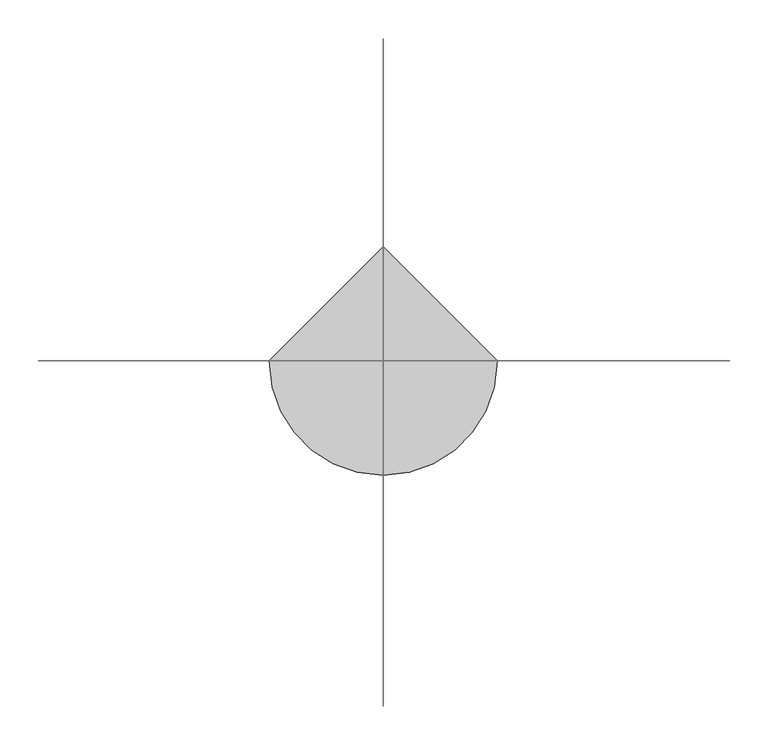
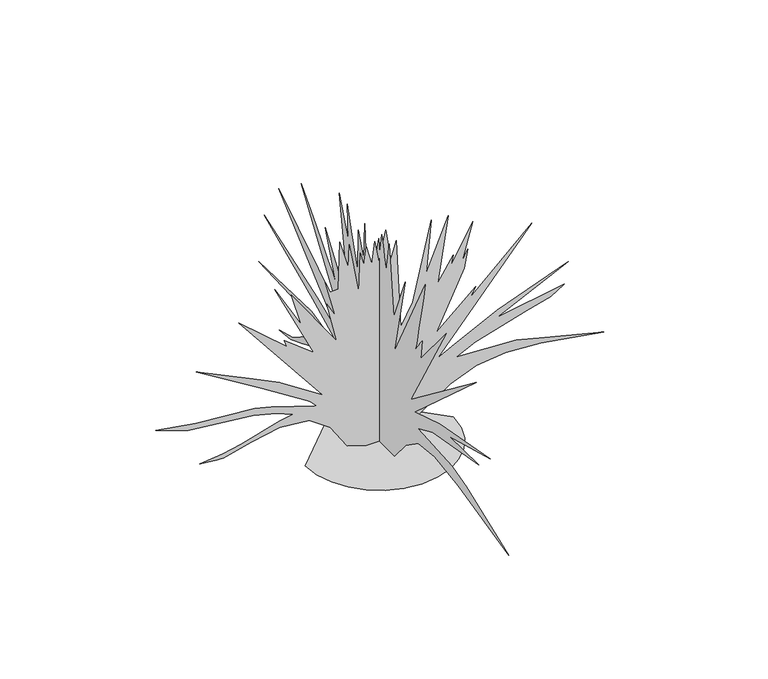
"""IFC4 building model written with IfcOpenShell, lengths in millimetres: geographic element geometry."""

from ifc_helpers import new_model, si_unit, origin, place, context, project, spatial, triangles, source, transform, mapped, element, save


def geographic_element_1685f993(model_context):
    return source(origin(), model_context, "Body", "Tessellation", [
        triangles([(-148.1386958, 0.0, 9.3e-06), (-144.2171964, -33.9885277, 9.3e-06), (-133.048683, -65.2018023, 9.3e-06), (-115.5276685, -92.7450748, 9.3e-06), (-92.5484025, -115.7243407, 9.3e-06), (-65.0051301, -133.2453552, 9.3e-06), (-33.7918577, -144.4138686, 9.3e-06), (0.1966776, -148.335368, 9.3e-06), (34.1851976, -144.4138686, 9.3e-06), (65.3984745, -133.2453552, 9.3e-06), (92.941747, -115.7243407, 9.3e-06), (115.921013, -92.7450748, 9.3e-06), (133.4420274, -65.2018023, 9.3e-06), (144.6105409, -33.9885277, 9.3e-06), (148.5320402, 1.3e-05, 9.3e-06), (0.1966516, 148.335368, 9.3e-06), (-24.3504259, 1.1e-06, 2.5e-06), (-64.1988793, 2e-06, 12.9348607), (-97.895905, 5e-07, 64.0713026), (-140.594189, 5e-07, 94.1593235), (-198.9417449, 2.8e-06, 99.5475847), (-255.4485429, 5.9e-06, 87.7748204), (-311.5910826, 9.2e-06, 73.8080584), (-324.2335885, 9.8e-06, 74.3145591), (-359.378609, 1.11e-05, 77.950311), (-313.1035629, 8.8e-06, 82.7858171), (-277.6960585, 6.8e-06, 90.344322), (-199.7057426, 2e-06, 113.0485956), (-172.7469775, 5e-07, 117.942592), (-204.8844963, 1.2e-06, 130.9928583), (-252.5285358, 2.5e-06, 143.4918682), (-382.9561306, 7.4e-06, 157.5558808), (-447.8461741, 8.9e-06, 179.7488939), (-367.8611217, 6.2e-06, 166.4181305), (-249.0960418, 1.6e-06, 156.7231191), (-216.6905162, 6e-07, 148.7013704), (-125.4831837, -1.6e-06, 119.1546001), (-138.0646922, -1.9e-06, 133.1736118), (-234.3990283, -1.3e-06, 193.9569111), (-366.6486231, -4e-07, 275.4877267), (-252.1085396, -2.1e-06, 220.5199336), (-200.6204942, -2.9e-06, 195.5036553), (-113.3644194, -3.3e-06, 138.5448591), (-281.816065, -8.5e-06, 349.4127929), (-184.8657327, -7.8e-06, 265.7927153), (-189.7134928, -8.4e-06, 280.3352324), (-131.5426884, -8.2e-06, 234.2839372), (-209.1037518, -1.44e-05, 395.4653234), (-155.7804623, -1.12e-05, 302.1502526), (-176.3827294, -1.45e-05, 372.4403117), (-85.4908937, -1.07e-05, 242.7671948), (-104.8811618, -1.49e-05, 327.6002798), (-87.9146465, -1.39e-05, 297.3027469), (-108.5169137, -1.76e-05, 374.8628019), (-97.9506527, -1.66e-05, 351.3077717), (-81.76514, -1.74e-05, 351.3277923), (-79.4313889, -2.33e-05, 450.0003668), (-62.2313804, -2.06e-05, 390.7203006), (-60.0411253, -2.35e-05, 437.880358), (-40.6511115, -1.79e-05, 330.02277), (-38.2271089, -2.29e-05, 412.4328197), (-30.9558549, -2.16e-05, 384.5578134), (-26.1083514, -2.4e-05, 422.1278312), (-15.2013409, -2.2e-05, 380.9228245), (-9.1419117, -2.5e-05, 426.9753551), (-0.6586671, -2.27e-05, 380.9228245), (12.6721065, -2.7e-05, 443.9403442), (23.5791135, -2.35e-05, 377.2877993), (34.4861967, -2.62e-05, 413.6428476), (42.9694566, -1.54e-05, 227.0126877), (67.2069761, -1.91e-05, 271.8527196), (104.0335027, -3.03e-05, 433.0253491), (93.8687435, -2.34e-05, 323.9627475), (138.4672839, -3.17e-05, 430.0728404), (116.8945182, -2.27e-05, 294.8777314), (148.4037959, -2.69e-05, 343.3552774), (143.5562902, -2.54e-05, 321.5402573), (187.184323, -3.2e-05, 400.312811), (165.3703021, -2.65e-05, 322.7527559), (177.4890573, -2.84e-05, 345.7777677), (170.9330439, -2.58e-05, 308.0802504), (114.4707654, -1.64e-05, 190.6558953), (193.2438187, -2.4e-05, 260.9452096), (181.1248092, -2.22e-05, 240.3434511), (305.9494211, -3.46e-05, 355.4727791), (116.8945182, -1.32e-05, 136.120861), (156.175787, -1.61e-05, 155.588123), (236.8716063, -2.2e-05, 195.5036553), (378.6619886, -3.14e-05, 248.8267087), (235.6598525, -2.1e-05, 179.7488939), (371.0494809, -2.83e-05, 203.1156725), (343.871961, -2.62e-05, 186.8916447), (295.8769073, -2.33e-05, 173.2968894), (192.5770716, -1.7e-05, 143.7823665), (154.4632825, -1.42e-05, 125.2138505), (274.4393895, -1.91e-05, 119.1546001), (331.2944584, -2.07e-05, 104.4295814), (450.1645283, -2.41e-05, 74.3145591), (324.0894476, -1.98e-05, 94.6895782), (253.5743659, -1.7e-05, 99.5105775), (194.5445751, -1.4e-05, 92.6238249), (142.6707883, -1.05e-05, 72.2130568), (85.3409936, -5.7e-06, 33.5950265), (32.7349455, -1.4e-06, 0.0), (0.196672, 19.7673413, 8.9e-06), (0.1966732, 47.0472873, 9.8e-06), (0.1966747, 67.3315551, 19.7666418), (0.1966772, 98.1250789, 58.1885449), (0.1966793, 130.6278551, 79.4465678), (0.1966812, 171.5303912, 83.5105639), (0.1966824, 205.2991693, 71.7218077), (0.1966844, 267.9552104, 45.114788), (0.1966857, 307.0702466, 29.8075238), (0.1966874, 347.7627846, 24.6271691), (0.1966857, 300.5702436, 38.2485329), (0.1966843, 245.8184439, 73.6468083), (0.1966827, 196.7091595, 96.1225757), (0.196681, 158.7086266, 94.9168263), (0.1966826, 185.5584048, 108.6283349), (0.1966859, 252.0827055, 120.1018443), (0.1966936, 419.0128324, 127.5108488), (0.1966855, 235.0574365, 132.4853544), (0.1966818, 162.3476305, 116.8738436), (0.1966792, 117.5043466, 94.9168263), (0.1966819, 157.4268734, 125.6566015), (0.1966862, 230.1374425, 162.6691225), (0.196696, 399.8753377, 236.7079353), (0.1966859, 214.4554237, 174.9013882), (0.1966819, 145.377618, 145.8161177), (0.1966963, 348.9752832, 323.9627475), (0.1966833, 143.900864, 195.427915), (0.1966945, 270.2027113, 382.1353231), (0.1966926, 244.8639419, 353.83527), (0.1966907, 220.4639232, 326.4102725), (0.1966889, 197.940407, 300.737748), (0.1966873, 178.2316355, 277.6927156), (0.196686, 162.2761232, 258.1477059), (0.1966851, 151.0121214, 242.9834425), (0.1966845, 145.377618, 233.0721834), (0.1966896, 187.793897, 339.7177814), (0.196686, 146.5683701, 279.2777206), (0.1966856, 142.6428648, 273.9577147), (0.1966852, 137.8938633, 268.4452241), (0.1966848, 132.4583575, 262.7727143), (0.1966844, 126.4736029, 256.975212), (0.1966839, 120.0768458, 251.0802049), (0.1966835, 113.405596, 245.1219566), (0.196683, 106.5973361, 239.1316973), (0.1966904, 138.1063594, 442.7278456), (0.1966867, 107.8090899, 361.5328016), (0.196689, 111.4448418, 435.4578678), (0.196687, 96.9023247, 386.9828107), (0.1966838, 73.8763092, 315.4802711), (0.1966864, 72.6643101, 403.9478362), (0.196684, 54.4860456, 353.0502889), (0.1966862, 50.8502891, 430.6103439), (0.1966844, 46.5152885, 378.1328058), (0.1966819, 26.6125221, 322.7527559), (0.1966839, 1.1628534, 429.3978453), (0.1966829, -1.2609561, 399.1003123), (0.1966839, -8.4154066, 443.3628722), (0.1966833, -11.789735, 429.27536), (0.1966828, -15.0040374, 415.6178361), (0.1966823, -17.8983397, 402.817818), (0.1966818, -20.312591, 391.3078011), (0.1966815, -22.0867923, 381.5153028), (0.1966812, -23.0609175, 373.8703116), (0.196681, -23.0749678, 368.8028157), (0.1966826, -33.9820282, 439.0928567), (0.1966776, -49.7365399, 293.6677398), (0.1966787, -90.9408244, 393.0428332), (0.1966754, -52.1602928, 222.165182), (0.1966767, -160.0183758, 429.3978453), (0.1966761, -153.4961177, 397.6378289), (0.1966754, -147.1613663, 367.0353001), (0.1966749, -141.2021097, 338.7452754), (0.1966744, -135.8058639, 313.9252424), (0.196674, -131.1606078, 293.7327431), (0.1966737, -127.4541026, 279.3227215), (0.1966736, -124.8736006, 271.8527196), (0.1966736, -124.0245972, 269.8952265), (0.1966736, -125.1655977, 270.9177113), (0.1966735, -127.9646002, 274.4252189), (0.1966735, -132.090611, 279.9202323), (0.1966735, -137.211365, 286.9052347), (0.1966735, -142.995614, 294.8852345), (0.1966734, -149.1113744, 303.3627512), (0.1966725, -143.0521149, 262.1577082), (0.1966717, -232.7319426, 370.0153144), (0.1966708, -109.1190844, 155.5111291), (0.1966659, -335.7427697, 328.8102714), (0.1966697, -122.4498477, 136.1211063), (0.1966666, -209.7059134, 163.9943868), (0.1966597, -385.1278004, 196.2989011), (0.196665, -242.426954, 157.9348729), (0.1966604, -345.9302656, 160.358871), (0.1966667, -186.3451482, 131.3988564), (0.1966683, -133.3568582, 108.2475896), (0.1966628, -253.3352089, 100.9760858), (0.1966602, -301.8102479, 87.6453225), (0.1966519, -448.4478453, 30.686524), (0.196661, -273.6277203, 71.7218077), (0.196665, -192.0614054, 83.6695659), (0.1966673, -135.4426139, 77.7298121), (0.1966684, -92.7000739, 48.0972868), (0.1966688, -51.7737929, 6.8e-06), (0.1966702, -18.8243404, 7.8e-06)], [[15, 16, 1], [14, 15, 1], [14, 1, 2], [13, 14, 2], [13, 2, 3], [13, 3, 4], [12, 13, 4], [11, 12, 4], [11, 4, 5], [11, 5, 6], [11, 6, 7], [11, 7, 8], [11, 8, 9], [11, 9, 10], [47, 48, 49], [97, 98, 99], [88, 89, 90], [39, 40, 41], [84, 85, 86], [71, 72, 73], [53, 54, 55], [32, 33, 34], [43, 44, 45], [24, 25, 26], [58, 59, 60], [77, 78, 79], [73, 74, 75], [60, 61, 62], [51, 52, 53], [56, 57, 58], [82, 83, 84], [79, 80, 81], [64, 65, 66], [49, 50, 51], [68, 69, 70], [75, 76, 77], [90, 91, 92], [90, 92, 93], [66, 67, 68], [82, 84, 86], [90, 93, 94], [62, 63, 64], [47, 49, 51], [39, 41, 42], [45, 46, 47], [43, 45, 47], [38, 39, 42], [38, 42, 43], [31, 32, 34], [31, 34, 35], [23, 24, 26], [56, 58, 60], [87, 88, 90], [87, 90, 94], [87, 94, 95], [37, 38, 43], [86, 87, 95], [71, 73, 75], [96, 97, 99], [96, 99, 100], [95, 96, 100], [95, 100, 101], [95, 101, 102], [53, 55, 56], [53, 56, 60], [22, 23, 26], [22, 26, 27], [22, 27, 28], [21, 22, 28], [60, 62, 64], [43, 47, 51], [30, 31, 35], [30, 35, 36], [30, 36, 37], [29, 30, 37], [86, 95, 102], [21, 28, 29], [20, 21, 29], [20, 29, 37], [19, 20, 37], [86, 102, 103], [66, 68, 70], [64, 66, 70], [60, 64, 70], [53, 60, 70], [51, 53, 70], [43, 51, 70], [77, 79, 81], [77, 81, 82], [75, 77, 82], [71, 75, 82], [70, 71, 82], [70, 82, 86], [43, 70, 86], [43, 86, 103], [43, 103, 104], [43, 104, 17], [43, 17, 18], [43, 18, 19], [43, 19, 37], [120, 121, 122], [193, 194, 195], [190, 191, 192], [126, 127, 128], [155, 156, 157], [131, 132, 133], [200, 201, 202], [113, 114, 115], [195, 196, 197], [129, 130, 131], [131, 133, 134], [170, 171, 172], [188, 189, 190], [131, 134, 135], [148, 149, 150], [139, 140, 141], [131, 135, 136], [150, 151, 152], [168, 169, 170], [172, 173, 174], [131, 136, 137], [158, 159, 160], [172, 174, 175], [131, 137, 138], [153, 154, 155], [131, 138, 139], [172, 175, 176], [160, 161, 162], [172, 176, 177], [186, 187, 188], [172, 177, 178], [112, 113, 115], [112, 115, 116], [111, 112, 116], [111, 116, 117], [160, 162, 163], [172, 178, 179], [172, 179, 180], [172, 180, 181], [139, 141, 142], [193, 195, 197], [185, 186, 188], [192, 193, 197], [192, 197, 198], [155, 157, 158], [150, 152, 153], [148, 150, 153], [139, 142, 143], [199, 200, 202], [119, 120, 122], [119, 122, 123], [118, 119, 123], [199, 202, 203], [198, 199, 203], [198, 203, 204], [184, 185, 188], [110, 111, 117], [110, 117, 118], [109, 110, 118], [160, 163, 164], [118, 123, 124], [109, 118, 124], [139, 143, 144], [125, 126, 128], [125, 128, 129], [183, 184, 188], [139, 144, 145], [153, 155, 158], [108, 109, 124], [139, 145, 146], [160, 164, 165], [158, 160, 165], [158, 165, 166], [158, 166, 167], [158, 167, 168], [158, 168, 170], [182, 183, 188], [124, 125, 129], [182, 188, 190], [181, 182, 190], [172, 181, 190], [139, 146, 147], [131, 139, 147], [131, 147, 148], [158, 170, 172], [153, 158, 172], [148, 153, 172], [198, 204, 205], [131, 148, 172], [129, 131, 172], [124, 129, 172], [124, 172, 190], [108, 124, 190], [107, 108, 190], [106, 107, 190], [105, 106, 190], [207, 105, 190], [206, 207, 190], [205, 206, 190], [198, 205, 190], [192, 198, 190]], closed=False),
    ])


if __name__ == "__main__":
    model = new_model("IFC4")
    model_context = context("Model", 3, world=origin())
    ifc_project = project(units=[si_unit("LENGTHUNIT", "METRE", prefix="MILLI")], contexts=[model_context])
    site = spatial("IfcSite", under=ifc_project)
    building = spatial("IfcBuilding", under=site)
    placement = place(None, origin())
    geographic_element_shape = geographic_element_1685f993(model_context)
    element("IfcGeographicElement", 1, at=placement, inside=building, context=model_context, shape_type="MappedRepresentation", body=[
        mapped(geographic_element_shape, transform((0.0, 0.0, 0.0), x_axis=(1.0, 0.0, 0.0), y_axis=(0.0, 1.0, 0.0), z_axis=(0.0, 0.0, 1.0))),
    ])
    save(model, "model.ifc")
